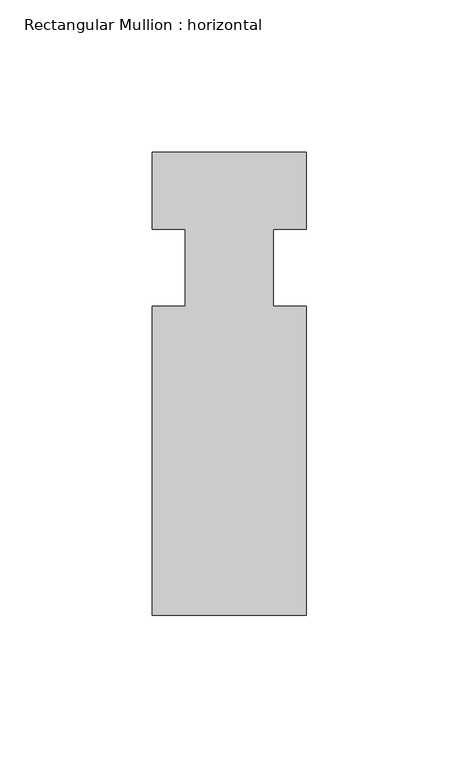
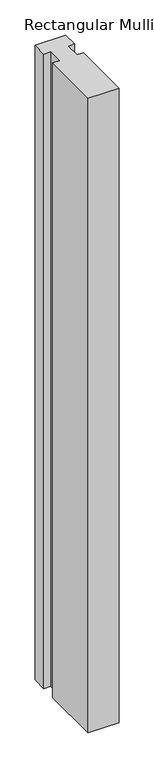
"""IFC4 building model written with IfcOpenShell, lengths in millimetres: member geometry, Rectangular Mullion : horizontal."""

from ifc_helpers import new_model, si_unit, frame, origin, place, context, project, spatial, polyline, outline, extrude, source, transform, mapped, element, save


def rectangular_mullion_horizontal_6abc3162(model_context):
    return source(origin(), model_context, "Body", "SweptSolid", [
        extrude(outline(polyline([(-25.4, 6.35), (25.4, 6.35), (25.4, -19.05), (14.398625, -19.05), (14.398625, -44.45), (25.4, -44.45), (25.4, -146.05), (-25.4, -146.05), (-25.4, -44.45), (-14.398625, -44.45), (-14.398625, -19.05), (-25.4, -19.05), (-25.4, 6.35)])), frame((0.0, 0.0, -1104.9), z_axis=(0.0, 0.0, 1.0), x_axis=(1.0, 0.0, 0.0)), (0.0, 0.0, 1.0), 1104.9),
    ])


if __name__ == "__main__":
    model = new_model("IFC4")
    model_context = context("Model", 3, world=origin())
    ifc_project = project(units=[si_unit("LENGTHUNIT", "METRE", prefix="MILLI")], contexts=[model_context])
    site = spatial("IfcSite", under=ifc_project)
    building = spatial("IfcBuilding", under=site)
    placement = place(None, origin())
    rectangular_mullion_horizontal_shape = rectangular_mullion_horizontal_6abc3162(model_context)
    element("IfcMember", 1, ObjectType="Rectangular Mullion : horizontal", at=placement, inside=building, context=model_context, shape_type="MappedRepresentation", body=[
        mapped(rectangular_mullion_horizontal_shape, transform((0.0, 0.0, 0.0), x_axis=(1.0, 0.0, 0.0), y_axis=(0.0, 1.0, 0.0), z_axis=(0.0, 0.0, 1.0))),
    ])
    save(model, "model.ifc")
